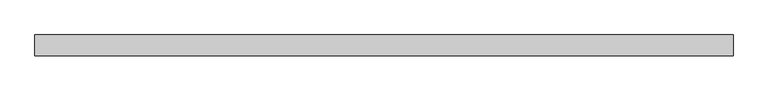
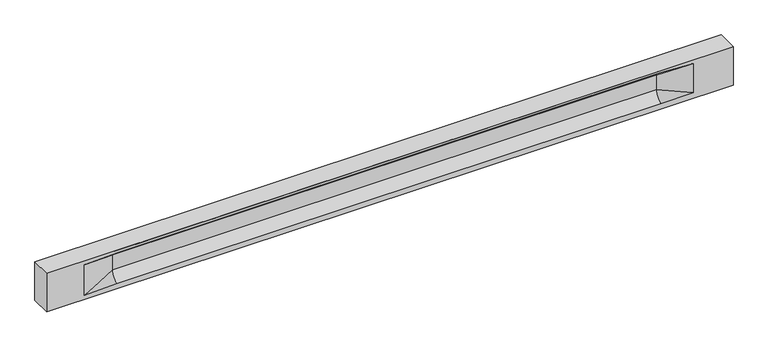
"""IFC4 building model written with IfcOpenShell, lengths in millimetres: beam geometry."""

from ifc_helpers import new_model, si_unit, frame, origin, place, context, project, spatial, polyline, circle_curve, source, transform, mapped, element, save
from ifc_brep_helpers import plane_surface, revolved_surface, spline_surface, advanced_brep


def beam_e7b9db13(model_context):
    return source(origin(), model_context, "Body", "AdvancedBrep", [
        advanced_brep(
        [(8436.0, -250.0, 500.0), (8436.0, -250.0, -500.0), (8436.0, 250.0, -500.0), (8436.0, 250.0, 500.0), (-8436.0, -250.0, 500.0), (-8436.0, -250.0, -500.0), (7461.0, -250.0, -362.0), (6661.0, -250.0, -360.0), (-6706.0, -250.0, -360.0), (-7506.0, -250.0, -400.0), (-7506.0, -250.0, 400.0), (-6706.0, -250.0, 435.0), (6661.0, -250.0, 435.0), (7461.0, -250.0, 400.0), (-8436.0, 250.0, -500.0), (-8436.0, 250.0, 500.0), (7461.0, 250.0, 400.0), (6661.0, 250.0, 435.0), (-6706.0, 250.0, 435.0), (-7506.0, 250.0, 400.0), (-7506.0, 250.0, -400.0), (-6706.0, 250.0, -360.0), (6661.0, 250.0, -360.0), (7461.0, 250.0, -362.0), (6661.0, 155.0, 405.0), (-6706.0, 155.0, 405.0), (6661.0, 60.0, 262.777021), (-6706.0, 60.0, 262.777021), (6661.0, 60.0, -120.0), (-6706.0, 60.0, -120.0), (6661.0, -60.0, -120.0), (-6706.0, -60.0, -120.0), (6661.0, -60.0, 262.777021), (-6706.0, -60.0, 262.777021), (6661.0, -155.0, 405.0), (-6706.0, -155.0, 405.0)],
        [
            (0, 1),
            (1, 2),
            (2, 3),
            (3, 0),
            (0, 4),
            (4, 5),
            (5, 1),
            (6, 7),
            (7, 8),
            (8, 9),
            (9, 10),
            (10, 11),
            (11, 12),
            (12, 13),
            (13, 6),
            (5, 14),
            (14, 2),
            (14, 15),
            (15, 3),
            (16, 17),
            (17, 18),
            (18, 19),
            (19, 20),
            (20, 21),
            (21, 22),
            (22, 23),
            (23, 16),
            (15, 4),
            (17, 24),
            (24, 25),
            (25, 18),
            (24, 26, circle_curve(frame((6661.0, 213.9598725, 262.777021), z_axis=(1.0, 0.0, 0.0), x_axis=(0.0, 1.0, 0.0)), 153.9598725)),
            (26, 27),
            (27, 25, circle_curve(frame((-6706.0, 213.9598725, 262.777021), z_axis=(-1.0, 0.0, 0.0), x_axis=(0.0, 1.0, 0.0)), 153.9598725)),
            (26, 28),
            (28, 29),
            (29, 27),
            (28, 22, circle_curve(frame((6661.0, 306.5789474, -120.0), z_axis=(1.0, 0.0, 0.0), x_axis=(0.0, 1.0, 0.0)), 246.5789474)),
            (21, 29, circle_curve(frame((-6706.0, 306.5789474, -120.0), z_axis=(-1.0, 0.0, 0.0), x_axis=(0.0, 1.0, 0.0)), 246.5789474)),
            (7, 30, circle_curve(frame((6661.0, -306.5789474, -120.0), z_axis=(1.0, 0.0, 0.0), x_axis=(0.0, 1.0, 0.0)), 246.5789474)),
            (30, 31),
            (31, 8, circle_curve(frame((-6706.0, -306.5789474, -120.0), z_axis=(-1.0, 0.0, 0.0), x_axis=(0.0, 1.0, 0.0)), 246.5789474)),
            (30, 32),
            (32, 33),
            (33, 31),
            (32, 34, circle_curve(frame((6661.0, -213.9598725, 262.777021), z_axis=(1.0, 0.0, 0.0), x_axis=(0.0, 1.0, 0.0)), 153.9598725)),
            (34, 35),
            (35, 33, circle_curve(frame((-6706.0, -213.9598725, 262.777021), z_axis=(-1.0, 0.0, 0.0), x_axis=(0.0, 1.0, 0.0)), 153.9598725)),
            (34, 12),
            (11, 35),
            (27, 19),
            (19, 25),
            (10, 35),
            (10, 33),
            (9, 31),
            (20, 29),
            (34, 13),
            (32, 13),
            (30, 6),
            (28, 23),
            (26, 16),
            (24, 16),
        ],
        [
            plane_surface(frame((8436.0, 0.0, 0.0), z_axis=(1.0, 0.0, 0.0), x_axis=(0.0, 0.0, 1.0))),
            plane_surface(frame((8436.0, -250.0, 500.0), z_axis=(0.0, -1.0, 0.0), x_axis=(-1.0, 0.0, 0.0))),
            plane_surface(frame((8436.0, -250.0, -500.0), z_axis=(0.0, 0.0, -1.0), x_axis=(-1.0, 0.0, 0.0))),
            plane_surface(frame((8436.0, 250.0, -500.0), z_axis=(0.0, 1.0, 0.0), x_axis=(-1.0, 0.0, 0.0))),
            plane_surface(frame((8436.0, 250.0, 500.0), z_axis=(0.0, 0.0, 1.0), x_axis=(-1.0, 0.0, 0.0))),
            plane_surface(frame((-6706.0, 250.0, 435.0), z_axis=(0.0, 0.30113136793710954, -0.9535826651341378), x_axis=(1.0, 0.0, 0.0))),
            revolved_surface(polyline([(6661.0, 367.919745, 262.777021), (-6706.0, 367.919745, 262.777021)]), (-6706.0, 213.9598725, 262.777021), (1.0, 0.0, 0.0)),
            plane_surface(frame((-6706.0, 60.0, 262.777021), z_axis=(0.0, 1.0, 0.0), x_axis=(1.0, 0.0, 0.0))),
            revolved_surface(polyline([(6661.0, 553.1578948, -120.0), (-6706.0, 553.1578948, -120.0)]), (-6706.0, 306.5789474, -120.0), (1.0, 0.0, 0.0)),
            revolved_surface(polyline([(6661.0, -60.0, -120.0), (-6706.0, -60.0, -120.0)]), (-6706.0, -306.5789474, -120.0), (1.0, 0.0, 0.0)),
            plane_surface(frame((-6706.0, -60.0, -120.0), z_axis=(0.0, -1.0, 0.0), x_axis=(1.0, 0.0, 0.0))),
            revolved_surface(polyline([(6661.0, -60.0, 262.777021), (-6706.0, -60.0, 262.777021)]), (-6706.0, -213.9598725, 262.777021), (1.0, 0.0, 0.0)),
            plane_surface(frame((-6706.0, -155.0, 405.0), z_axis=(0.0, -0.30113136793710693, -0.9535826651341387), x_axis=(1.0, 0.0, 0.0))),
            spline_surface(2, 1, [[(-7506.0, 250.0, 400.0), (-6706.0, 60.0, 262.777021)], [(-7506.0, 250.0, 400.0), (-6706.0, 59.99999995452379, 365.6168572954922)], [(-7506.0, 250.0, 400.0), (-6706.0, 155.0, 405.0)]], [3, 3], [2, 2], [0.0, 1.0], [0.0, 1.0], weights=[[1.0, 1.0], [0.8315515921160737, 0.8315515921160737], [1.0, 1.0]]),
            plane_surface(frame((-7506.0, 250.0, 400.0), z_axis=(0.04168298285568782, 0.30086965068766386, -0.9527538938442265), x_axis=(0.0, 0.9535826651341378, 0.30113136793710954))),
            plane_surface(frame((-7506.0, -250.0, 400.0), z_axis=(0.04168298285568785, -0.30086965068766125, -0.9527538938442274), x_axis=(0.0, 0.9535826651341387, -0.30113136793710693))),
            spline_surface(2, 1, [[(-7506.0, -250.0, 400.0), (-6706.0, -155.0, 405.0)], [(-7506.0, -250.0, 400.0), (-6706.0, -60.00000008030692, 365.6168572114734)], [(-7506.0, -250.0, 400.0), (-6706.0, -60.0, 262.777021)]], [3, 3], [2, 2], [0.0, 1.0], [0.0, 1.0], weights=[[1.0, 1.0], [0.8315515924557569, 0.8315515924557569], [1.0, 1.0]]),
            plane_surface(frame((-7506.0, -250.0, 0.0), z_axis=(0.23107243079589995, -0.9729365507195595, 0.0), x_axis=(0.0, 0.0, -1.0))),
            spline_surface(2, 1, [[(-7506.0, -250.0, -400.0), (-6706.0, -60.0, -120.0)], [(-7506.0, -250.0, -400.0), (-6706.0, -59.99999998020837, -315.20833333333337)], [(-7506.0, -250.0, -400.0), (-6706.0, -250.0, -360.0)]], [3, 3], [2, 2], [0.0, 1.0], [0.0, 1.0], weights=[[1.0, 1.0], [0.7840458244617614, 0.7840458244617614], [1.0, 1.0]]),
            spline_surface(2, 1, [[(-7506.0, 250.0, -400.0), (-6706.0, 250.0, -360.0)], [(-7506.0, 250.0, -400.0), (-6706.0, 60.00000002887427, -315.20833329480604)], [(-7506.0, 250.0, -400.0), (-6706.0, 60.0, -120.0)]], [3, 3], [2, 2], [0.0, 1.0], [0.0, 1.0], weights=[[1.0, 1.0], [0.7840458245391329, 0.7840458245391329], [1.0, 1.0]]),
            plane_surface(frame((-7506.0, 250.0, 0.0), z_axis=(0.23107243079589565, 0.9729365507195605, 0.0), x_axis=(0.0, 0.0, 1.0))),
            plane_surface(frame((-8436.0, 0.0, 0.0), z_axis=(-1.0, 0.0, 0.0), x_axis=(0.0, 0.0, 1.0))),
            plane_surface(frame((6661.0, -202.5, 420.0), z_axis=(-0.041682982855687396, -0.30086965068766125, -0.9527538938442274), x_axis=(0.0, 0.9535826651341387, -0.30113136793710693))),
            spline_surface(2, 1, [[(6661.0, -155.0, 405.0), (7461.0, -250.0, 400.0)], [(6661.0, -60.00000008030692, 365.6168572114734), (7461.0, -250.0, 400.0)], [(6661.0, -60.0, 262.777021), (7461.0, -250.0, 400.0)]], [3, 3], [2, 2], [0.0, 1.0], [0.0, 1.0], weights=[[1.0, 1.0], [0.8315515924557569, 0.8315515924557569], [1.0, 1.0]]),
            plane_surface(frame((6661.0, -60.0, 71.3885105), z_axis=(-0.23107243079589707, -0.9729365507195603, 0.0), x_axis=(0.0, 0.0, -1.0))),
            spline_surface(2, 1, [[(6661.0, -60.0, -120.0), (7461.0, -250.0, -362.0)], [(6661.0, -59.99999998020837, -315.20833333333337), (7461.0, -250.0, -362.0)], [(6661.0, -250.0, -360.0), (7461.0, -250.0, -362.0)]], [3, 3], [2, 2], [0.0, 1.0], [0.0, 1.0], weights=[[1.0, 1.0], [0.7840458244617614, 0.7840458244617614], [1.0, 1.0]]),
            spline_surface(2, 1, [[(6661.0, 250.0, -360.0), (7461.0, 250.0, -362.0)], [(6661.0, 60.00000002887427, -315.20833329480604), (7461.0, 250.0, -362.0)], [(6661.0, 60.0, -120.0), (7461.0, 250.0, -362.0)]], [3, 3], [2, 2], [0.0, 1.0], [0.0, 1.0], weights=[[1.0, 1.0], [0.7840458245391329, 0.7840458245391329], [1.0, 1.0]]),
            plane_surface(frame((6661.0, 60.0, 71.3885105), z_axis=(-0.23107243079589063, 0.9729365507195618, 0.0), x_axis=(0.0, 0.0, 1.0))),
            spline_surface(2, 1, [[(6661.0, 60.0, 262.777021), (7461.0, 250.0, 400.0)], [(6661.0, 59.99999995452379, 365.6168572954922), (7461.0, 250.0, 400.0)], [(6661.0, 155.0, 405.0), (7461.0, 250.0, 400.0)]], [3, 3], [2, 2], [0.0, 1.0], [0.0, 1.0], weights=[[1.0, 1.0], [0.8315515921160737, 0.8315515921160737], [1.0, 1.0]]),
            plane_surface(frame((6661.0, 202.5, 420.0), z_axis=(-0.04168298285568666, 0.30086965068766386, -0.9527538938442265), x_axis=(0.0, 0.9535826651341378, 0.30113136793710954))),
        ],
        [
            (0, [[1, 2, 3, 4]]),
            (1, [[-1, 5, 6, 7], [8, 9, 10, 11, 12, 13, 14, 15]]),
            (2, [[-2, -7, 16, 17]]),
            (3, [[-3, -17, 18, 19], [20, 21, 22, 23, 24, 25, 26, 27]]),
            (4, [[-5, -4, -19, 28]]),
            (5, [[-21, 29, 30, 31]]),
            (6, [[-30, 32, 33, 34]]),
            (7, [[-33, 35, 36, 37]]),
            (8, [[-36, 38, -25, 39]]),
            (9, [[-9, 40, 41, 42]]),
            (10, [[-41, 43, 44, 45]]),
            (11, [[-44, 46, 47, 48]]),
            (12, [[-47, 49, -13, 50]]),
            (13, [[51, 52, -34]]),
            (14, [[-52, -22, -31]]),
            (15, [[-12, 53, -50]]),
            (16, [[-53, 54, -48]]),
            (17, [[-54, -11, 55, -45]]),
            (18, [[-55, -10, -42]]),
            (19, [[-24, 56, -39]]),
            (20, [[-51, -37, -56, -23]]),
            (21, [[-28, -18, -16, -6]]),
            (22, [[-14, -49, 57]]),
            (23, [[-57, -46, 58]]),
            (24, [[-58, -43, 59, -15]]),
            (25, [[-59, -40, -8]]),
            (26, [[-26, -38, 60]]),
            (27, [[-60, -35, 61, -27]]),
            (28, [[-61, -32, 62]]),
            (29, [[-62, -29, -20]]),
        ],
    ),
    ])


if __name__ == "__main__":
    model = new_model("IFC4")
    model_context = context("Model", 3, world=origin())
    ifc_project = project(units=[si_unit("LENGTHUNIT", "METRE", prefix="MILLI")], contexts=[model_context])
    site = spatial("IfcSite", under=ifc_project)
    building = spatial("IfcBuilding", under=site)
    placement = place(None, origin())
    beam_shape = beam_e7b9db13(model_context)
    element("IfcBeam", 1, at=placement, inside=building, context=model_context, shape_type="MappedRepresentation", body=[
        mapped(beam_shape, transform((0.0, 0.0, 0.0), x_axis=(1.0, 0.0, 0.0), y_axis=(0.0, 1.0, 0.0), z_axis=(0.0, 0.0, 1.0))),
    ])
    save(model, "model.ifc")
